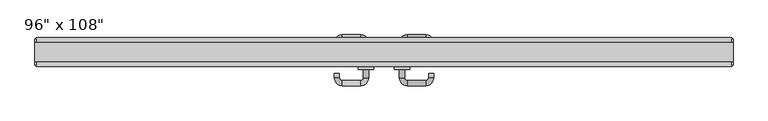
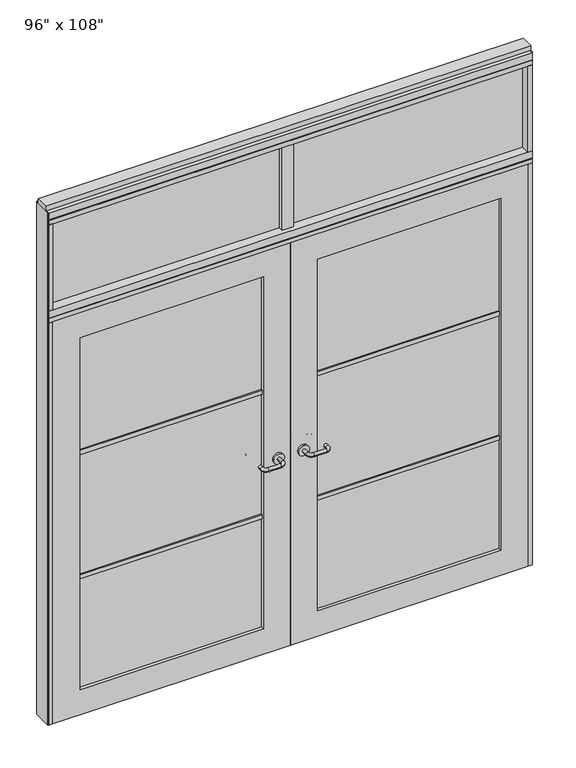
"""IFC4 building model written with IfcOpenShell, lengths in millimetres: furniture geometry."""

from ifc_helpers import new_model, si_unit, point, frame, frame_2d, origin, origin_with_axes, place, context, project, spatial, polyline, circle_curve, ellipse_curve, trimmed, segment, composite_curve, outline, extrude, source, transform, mapped, element, save
from ifc_brep_helpers import plane_surface, cylinder_surface, revolved_surface, advanced_brep


def furniture_74a05233(model_context):
    return source(origin(), model_context, "Body", "SolidModel", [
        advanced_brep(
        [(-113.8845229, -0.4537216, 1016.0), (-131.6645229, -0.4537216, 1016.0), (-113.8845229, 28.1212784, 1016.0), (-131.6645229, 28.1212784, 1016.0), (-141.8245229, 38.2812784, 1016.0), (-141.8245229, 56.0612784, 1016.0), (-233.2645229, 12.2462784, 1016.0), (-215.4845229, 12.2462784, 1016.0), (-205.3245229, 56.0612784, 1016.0), (-205.3245229, 38.2812784, 1016.0), (-215.4845229, 28.1212784, 1016.0), (-233.2645229, 28.1212784, 1016.0)],
        [
            (0, 1, circle_curve(frame((-122.7745229, -0.4537216, 1016.0), z_axis=(0.0, -1.0, 0.0), x_axis=(-1.0, 0.0, 0.0)), 8.89)),
            (1, 0, circle_curve(frame((-122.7745229, -0.4537216, 1016.0), z_axis=(0.0, -1.0, 0.0), x_axis=(-1.0, 0.0, 0.0)), 8.89)),
            (0, 2),
            (2, 3, circle_curve(frame((-122.7745229, 28.1212784, 1016.0), z_axis=(0.0, -1.0, 0.0), x_axis=(-1.0, 0.0, 0.0)), 8.89)),
            (3, 1),
            (3, 2, circle_curve(frame((-122.7745229, 28.1212784, 1016.0), z_axis=(0.0, -1.0, 0.0), x_axis=(-1.0, 0.0, 0.0)), 8.89)),
            (4, 3, circle_curve(frame((-141.8245229, 28.1212784, 1016.0), z_axis=(0.0, 0.0, -1.0), x_axis=(1.0, 0.0, 0.0)), 10.16)),
            (2, 5, circle_curve(frame((-141.8245229, 28.1212784, 1016.0), z_axis=(0.0, 0.0, 1.0), x_axis=(1.0, 0.0, 0.0)), 27.94)),
            (5, 4, circle_curve(frame((-141.8245229, 47.1712784, 1016.0), z_axis=(1.0, 0.0, 0.0), x_axis=(0.0, -1.0, 0.0)), 8.89)),
            (4, 5, circle_curve(frame((-141.8245229, 47.1712784, 1016.0), z_axis=(1.0, 0.0, 0.0), x_axis=(0.0, -1.0, 0.0)), 8.89)),
            (6, 7, circle_curve(frame((-224.3745229, 12.2462784, 1016.0), z_axis=(0.0, -1.0, 0.0), x_axis=(1.0, 0.0, 0.0)), 8.89)),
            (7, 6, circle_curve(frame((-224.3745229, 12.2462784, 1016.0), z_axis=(0.0, -1.0, 0.0), x_axis=(1.0, 0.0, 0.0)), 8.89)),
            (5, 8),
            (8, 9, circle_curve(frame((-205.3245229, 47.1712784, 1016.0), z_axis=(1.0, 0.0, 0.0), x_axis=(0.0, -1.0, 0.0)), 8.89)),
            (9, 4),
            (9, 8, circle_curve(frame((-205.3245229, 47.1712784, 1016.0), z_axis=(1.0, 0.0, 0.0), x_axis=(0.0, -1.0, 0.0)), 8.89)),
            (10, 9, circle_curve(frame((-205.3245229, 28.1212784, 1016.0), z_axis=(0.0, 0.0, -1.0), x_axis=(0.0, 1.0, 0.0)), 10.16)),
            (8, 11, circle_curve(frame((-205.3245229, 28.1212784, 1016.0), z_axis=(0.0, 0.0, 1.0), x_axis=(0.0, 1.0, 0.0)), 27.94)),
            (11, 10, circle_curve(frame((-224.3745229, 28.1212784, 1016.0), z_axis=(0.0, 1.0, 0.0), x_axis=(1.0, 0.0, 0.0)), 8.89)),
            (10, 11, circle_curve(frame((-224.3745229, 28.1212784, 1016.0), z_axis=(0.0, 1.0, 0.0), x_axis=(1.0, 0.0, 0.0)), 8.89)),
            (11, 6),
            (7, 10),
        ],
        [
            plane_surface(frame((-122.7745229, -0.4537216, 1016.0), z_axis=(0.0, -1.0, 0.0), x_axis=(0.0, 0.0, 1.0))),
            cylinder_surface(frame((-122.7745229, -0.4537216, 1016.0), z_axis=(0.0, -1.0, 0.0), x_axis=(-1.0, 0.0, 0.0)), 8.89),
            revolved_surface(trimmed(ellipse_curve(frame((-122.7745229, 28.1212784, 1016.0), z_axis=(0.0, -1.0, 0.0), x_axis=(-1.0, 0.0, 0.0)), 8.89, 8.89), [point((-113.8845229, 28.1212784, 1016.0))], [point((-131.6645229, 28.1212784, 1016.0))], True, "CARTESIAN"), (-141.8245229, 28.1212784, 1016.0), (0.0, 0.0, 1.0)),
            revolved_surface(trimmed(ellipse_curve(frame((-122.7745229, 28.1212784, 1016.0), z_axis=(0.0, -1.0, 0.0), x_axis=(-1.0, 0.0, 0.0)), 8.89, 8.89), [point((-131.6645229, 28.1212784, 1016.0))], [point((-113.8845229, 28.1212784, 1016.0))], True, "CARTESIAN"), (-141.8245229, 28.1212784, 1016.0), (0.0, 0.0, 1.0)),
            plane_surface(frame((-224.3745229, 12.2462784, 1016.0), z_axis=(0.0, -1.0, 0.0), x_axis=(0.0, 0.0, 1.0))),
            cylinder_surface(frame((-141.8245229, 47.1712784, 1016.0), z_axis=(1.0, 0.0, 0.0), x_axis=(0.0, -1.0, 0.0)), 8.89),
            revolved_surface(trimmed(ellipse_curve(frame((-205.3245229, 47.1712784, 1016.0), z_axis=(1.0, 0.0, 0.0), x_axis=(0.0, -1.0, 0.0)), 8.89, 8.89), [point((-205.3245229, 56.0612784, 1016.0))], [point((-205.3245229, 38.2812784, 1016.0))], True, "CARTESIAN"), (-205.3245229, 28.1212784, 1016.0), (0.0, 0.0, 1.0)),
            revolved_surface(trimmed(ellipse_curve(frame((-205.3245229, 47.1712784, 1016.0), z_axis=(1.0, 0.0, 0.0), x_axis=(0.0, -1.0, 0.0)), 8.89, 8.89), [point((-205.3245229, 38.2812784, 1016.0))], [point((-205.3245229, 56.0612784, 1016.0))], True, "CARTESIAN"), (-205.3245229, 28.1212784, 1016.0), (0.0, 0.0, 1.0)),
            cylinder_surface(frame((-224.3745229, 28.1212784, 1016.0), z_axis=(0.0, 1.0, 0.0), x_axis=(1.0, 0.0, 0.0)), 8.89),
        ],
        [
            (0, [[1, 2]]),
            (1, [[-1, 3, 4, 5]]),
            (1, [[-2, -5, 6, -3]]),
            (2, [[7, -4, 8, 9]]),
            (3, [[-8, -6, -7, 10]]),
            (4, [[11, 12]]),
            (5, [[-9, 13, 14, 15]]),
            (5, [[-10, -15, 16, -13]]),
            (6, [[17, -14, 18, 19]]),
            (7, [[-18, -16, -17, 20]]),
            (8, [[-19, 21, -12, 22]]),
            (8, [[-20, -22, -11, -21]]),
        ],
    ),
        extrude(outline(composite_curve([segment(trimmed(circle_curve(frame_2d((1016.0, -122.7745229)), 26.924), [point((1016.0, -95.8505229))], [point((1016.0, -149.6985229))], False, "CARTESIAN"), True, "CONTINUOUS"), segment(trimmed(circle_curve(frame_2d((1016.0, -122.7745229)), 26.924), [point((1016.0, -149.6985229))], [point((1016.0, -95.8505229))], False, "CARTESIAN"), True, "CONTINUOUS")], self_intersect=False)), frame((0.0, -10.8677216, 0.0), z_axis=(0.0, 1.0, 0.0), x_axis=(0.0, 0.0, 1.0)), (0.0, 0.0, 1.0), 10.414),
        advanced_brep(
        [(-113.8845229, -65.7317216, 1016.0), (-131.6645229, -65.7317216, 1016.0), (-131.6645229, -94.3067216, 1016.0), (-113.8845229, -94.3067216, 1016.0), (-141.8245229, -104.4667216, 1016.0), (-141.8245229, -122.2467216, 1016.0), (-233.2645229, -78.4317216, 1016.0), (-215.4845229, -78.4317216, 1016.0), (-205.3245229, -104.4667216, 1016.0), (-205.3245229, -122.2467216, 1016.0), (-215.4845229, -94.3067216, 1016.0), (-233.2645229, -94.3067216, 1016.0)],
        [
            (0, 1, circle_curve(frame((-122.7745229, -65.7317216, 1016.0), z_axis=(0.0, 1.0, 0.0), x_axis=(-1.0, 0.0, 0.0)), 8.89)),
            (1, 0, circle_curve(frame((-122.7745229, -65.7317216, 1016.0), z_axis=(0.0, 1.0, 0.0), x_axis=(-1.0, 0.0, 0.0)), 8.89)),
            (1, 2),
            (2, 3, circle_curve(frame((-122.7745229, -94.3067216, 1016.0), z_axis=(0.0, 1.0, 0.0), x_axis=(-1.0, 0.0, 0.0)), 8.89)),
            (3, 0),
            (3, 2, circle_curve(frame((-122.7745229, -94.3067216, 1016.0), z_axis=(0.0, 1.0, 0.0), x_axis=(-1.0, 0.0, 0.0)), 8.89)),
            (4, 5, circle_curve(frame((-141.8245229, -113.3567216, 1016.0), z_axis=(1.0, 0.0, 0.0), x_axis=(0.0, 1.0, 0.0)), 8.89)),
            (5, 3, circle_curve(frame((-141.8245229, -94.3067216, 1016.0), z_axis=(0.0, 0.0, 1.0), x_axis=(1.0, 0.0, 0.0)), 27.94)),
            (2, 4, circle_curve(frame((-141.8245229, -94.3067216, 1016.0), z_axis=(0.0, 0.0, -1.0), x_axis=(1.0, 0.0, 0.0)), 10.16)),
            (5, 4, circle_curve(frame((-141.8245229, -113.3567216, 1016.0), z_axis=(1.0, 0.0, 0.0), x_axis=(0.0, 1.0, 0.0)), 8.89)),
            (6, 7, circle_curve(frame((-224.3745229, -78.4317216, 1016.0), z_axis=(0.0, 1.0, 0.0), x_axis=(1.0, 0.0, 0.0)), 8.89)),
            (7, 6, circle_curve(frame((-224.3745229, -78.4317216, 1016.0), z_axis=(0.0, 1.0, 0.0), x_axis=(1.0, 0.0, 0.0)), 8.89)),
            (4, 8),
            (8, 9, circle_curve(frame((-205.3245229, -113.3567216, 1016.0), z_axis=(1.0, 0.0, 0.0), x_axis=(0.0, 1.0, 0.0)), 8.89)),
            (9, 5),
            (9, 8, circle_curve(frame((-205.3245229, -113.3567216, 1016.0), z_axis=(1.0, 0.0, 0.0), x_axis=(0.0, 1.0, 0.0)), 8.89)),
            (10, 11, circle_curve(frame((-224.3745229, -94.3067216, 1016.0), z_axis=(0.0, -1.0, 0.0), x_axis=(1.0, 0.0, 0.0)), 8.89)),
            (11, 9, circle_curve(frame((-205.3245229, -94.3067216, 1016.0), z_axis=(0.0, 0.0, 1.0), x_axis=(0.0, -1.0, 0.0)), 27.94)),
            (8, 10, circle_curve(frame((-205.3245229, -94.3067216, 1016.0), z_axis=(0.0, 0.0, -1.0), x_axis=(0.0, -1.0, 0.0)), 10.16)),
            (11, 10, circle_curve(frame((-224.3745229, -94.3067216, 1016.0), z_axis=(0.0, -1.0, 0.0), x_axis=(1.0, 0.0, 0.0)), 8.89)),
            (10, 7),
            (6, 11),
        ],
        [
            plane_surface(frame((-122.7745229, -65.7317216, 1016.0), z_axis=(0.0, 1.0, 0.0), x_axis=(0.0, 0.0, 1.0))),
            cylinder_surface(frame((-122.7745229, -65.7317216, 1016.0), z_axis=(0.0, 1.0, 0.0), x_axis=(-1.0, 0.0, 0.0)), 8.89),
            revolved_surface(trimmed(ellipse_curve(frame((-122.7745229, -94.3067216, 1016.0), z_axis=(0.0, -1.0, 0.0), x_axis=(-1.0, 0.0, 0.0)), 8.89, 8.89), [point((-113.8845229, -94.3067216, 1016.0))], [point((-131.6645229, -94.3067216, 1016.0))], True, "CARTESIAN"), (-141.8245229, -94.3067216, 1016.0), (0.0, 0.0, 1.0)),
            revolved_surface(trimmed(ellipse_curve(frame((-122.7745229, -94.3067216, 1016.0), z_axis=(0.0, -1.0, 0.0), x_axis=(-1.0, 0.0, 0.0)), 8.89, 8.89), [point((-131.6645229, -94.3067216, 1016.0))], [point((-113.8845229, -94.3067216, 1016.0))], True, "CARTESIAN"), (-141.8245229, -94.3067216, 1016.0), (0.0, 0.0, 1.0)),
            plane_surface(frame((-224.3745229, -78.4317216, 1016.0), z_axis=(0.0, 1.0, 0.0), x_axis=(0.0, 0.0, 1.0))),
            cylinder_surface(frame((-141.8245229, -113.3567216, 1016.0), z_axis=(1.0, 0.0, 0.0), x_axis=(0.0, 1.0, 0.0)), 8.89),
            revolved_surface(trimmed(ellipse_curve(frame((-205.3245229, -113.3567216, 1016.0), z_axis=(-1.0, 0.0, 0.0), x_axis=(0.0, 1.0, 0.0)), 8.89, 8.89), [point((-205.3245229, -122.2467216, 1016.0))], [point((-205.3245229, -104.4667216, 1016.0))], True, "CARTESIAN"), (-205.3245229, -94.3067216, 1016.0), (0.0, 0.0, 1.0)),
            revolved_surface(trimmed(ellipse_curve(frame((-205.3245229, -113.3567216, 1016.0), z_axis=(-1.0, 0.0, 0.0), x_axis=(0.0, 1.0, 0.0)), 8.89, 8.89), [point((-205.3245229, -104.4667216, 1016.0))], [point((-205.3245229, -122.2467216, 1016.0))], True, "CARTESIAN"), (-205.3245229, -94.3067216, 1016.0), (0.0, 0.0, 1.0)),
            cylinder_surface(frame((-224.3745229, -94.3067216, 1016.0), z_axis=(0.0, -1.0, 0.0), x_axis=(1.0, 0.0, 0.0)), 8.89),
        ],
        [
            (0, [[1, 2]]),
            (1, [[3, 4, 5, -2]]),
            (1, [[-5, 6, -3, -1]]),
            (2, [[7, 8, -4, 9]]),
            (3, [[10, -9, -6, -8]]),
            (4, [[11, 12]]),
            (5, [[13, 14, 15, -7]]),
            (5, [[-15, 16, -13, -10]]),
            (6, [[17, 18, -14, 19]]),
            (7, [[20, -19, -16, -18]]),
            (8, [[21, -11, 22, -17]]),
            (8, [[-22, -12, -21, -20]]),
        ],
    ),
        extrude(outline(composite_curve([segment(trimmed(circle_curve(frame_2d((1016.0, -122.7745229)), 26.924), [point((1016.0, -95.8505229))], [point((1016.0, -149.6985229))], False, "CARTESIAN"), True, "CONTINUOUS"), segment(trimmed(circle_curve(frame_2d((1016.0, -122.7745229)), 26.924), [point((1016.0, -149.6985229))], [point((1016.0, -95.8505229))], False, "CARTESIAN"), True, "CONTINUOUS")], self_intersect=False)), frame((0.0, -65.7317216, 0.0), z_axis=(0.0, 1.0, 0.0), x_axis=(0.0, 0.0, 1.0)), (0.0, 0.0, 1.0), 10.414),
        extrude(outline(polyline([(-196.0535229, -44.2052216), (-1117.0575229, -44.2052216), (-1117.0575229, -21.9802216), (-196.0535229, -21.9802216), (-196.0535229, -44.2052216)])), frame((0.0, 0.0, 1371.6), z_axis=(0.0, 0.0, 1.0), x_axis=(1.0, 0.0, 0.0)), (0.0, 0.0, 1.0), 22.225),
        extrude(outline(polyline([(-196.0535229, -44.2052216), (-1117.0575229, -44.2052216), (-1117.0575229, -21.9802216), (-196.0535229, -21.9802216), (-196.0535229, -44.2052216)])), frame((0.0, 0.0, 711.2), z_axis=(0.0, 0.0, 1.0), x_axis=(1.0, 0.0, 0.0)), (0.0, 0.0, 1.0), 22.225),
        extrude(outline(polyline([(-1117.0575229, -38.1727216), (-1117.0575229, -28.0127216), (-196.0535229, -28.0127216), (-196.0535229, -38.1727216), (-1117.0575229, -38.1727216)])), frame((0.0, 0.0, 132.969), z_axis=(0.0, 0.0, 1.0), x_axis=(1.0, 0.0, 0.0)), (0.0, 0.0, 1.0), 1867.662),
        extrude(outline(polyline([(2133.6, -1253.0745229), (0.0, -1253.0745229), (0.0, -60.0365229), (2133.6, -60.0365229), (2133.6, -1253.0745229)]), holes=[polyline([(2000.631, -1117.0575229), (2000.631, -196.0535229), (132.969, -196.0535229), (132.969, -1117.0575229), (2000.631, -1117.0575229)])]), frame((0.0, -55.3177216, 0.0), z_axis=(0.0, 1.0, 0.0), x_axis=(0.0, 0.0, 1.0)), (0.0, 0.0, 1.0), 44.45),
        extrude(outline(polyline([(-31.4615229, -33.0927216), (-88.6115229, -33.0927216), (-88.6115229, 24.0572784), (-31.4615229, 24.0572784), (-31.4615229, -33.0927216)])), frame((0.0, 0.0, 2197.1), z_axis=(0.0, 0.0, 1.0), x_axis=(1.0, 0.0, 0.0)), (0.0, 0.0, 1.0), 457.2),
        extrude(outline(polyline([(1133.0014771, -9.5977216), (-1253.0745229, -9.5977216), (-1253.0745229, 0.5622784), (1133.0014771, 0.5622784), (1133.0014771, -9.5977216)])), frame((0.0, 0.0, 2197.1), z_axis=(0.0, 0.0, 1.0), x_axis=(1.0, 0.0, 0.0)), (0.0, 0.0, 1.0), 457.2),
        advanced_brep(
        [(-6.1885229, -0.4537216, 1016.0), (11.5914771, -0.4537216, 1016.0), (11.5914771, 28.1212784, 1016.0), (-6.1885229, 28.1212784, 1016.0), (21.7514771, 38.2812784, 1016.0), (21.7514771, 56.0612784, 1016.0), (113.1914771, 12.2462784, 1016.0), (95.4114771, 12.2462784, 1016.0), (85.2514771, 38.2812784, 1016.0), (85.2514771, 56.0612784, 1016.0), (95.4114771, 28.1212784, 1016.0), (113.1914771, 28.1212784, 1016.0)],
        [
            (0, 1, circle_curve(frame((2.7014771, -0.4537216, 1016.0), z_axis=(0.0, -1.0, 0.0), x_axis=(1.0, 0.0, 0.0)), 8.89)),
            (1, 0, circle_curve(frame((2.7014771, -0.4537216, 1016.0), z_axis=(0.0, -1.0, 0.0), x_axis=(1.0, 0.0, 0.0)), 8.89)),
            (1, 2),
            (2, 3, circle_curve(frame((2.7014771, 28.1212784, 1016.0), z_axis=(0.0, -1.0, 0.0), x_axis=(1.0, 0.0, 0.0)), 8.89)),
            (3, 0),
            (3, 2, circle_curve(frame((2.7014771, 28.1212784, 1016.0), z_axis=(0.0, -1.0, 0.0), x_axis=(1.0, 0.0, 0.0)), 8.89)),
            (4, 5, circle_curve(frame((21.7514771, 47.1712784, 1016.0), z_axis=(-1.0, 0.0, 0.0), x_axis=(0.0, -1.0, 0.0)), 8.89)),
            (5, 3, circle_curve(frame((21.7514771, 28.1212784, 1016.0), z_axis=(0.0, 0.0, 1.0), x_axis=(-1.0, 0.0, 0.0)), 27.94)),
            (2, 4, circle_curve(frame((21.7514771, 28.1212784, 1016.0), z_axis=(0.0, 0.0, -1.0), x_axis=(-1.0, 0.0, 0.0)), 10.16)),
            (5, 4, circle_curve(frame((21.7514771, 47.1712784, 1016.0), z_axis=(-1.0, 0.0, 0.0), x_axis=(0.0, -1.0, 0.0)), 8.89)),
            (6, 7, circle_curve(frame((104.3014771, 12.2462784, 1016.0), z_axis=(0.0, -1.0, 0.0), x_axis=(-1.0, 0.0, 0.0)), 8.89)),
            (7, 6, circle_curve(frame((104.3014771, 12.2462784, 1016.0), z_axis=(0.0, -1.0, 0.0), x_axis=(-1.0, 0.0, 0.0)), 8.89)),
            (4, 8),
            (8, 9, circle_curve(frame((85.2514771, 47.1712784, 1016.0), z_axis=(-1.0, 0.0, 0.0), x_axis=(0.0, -1.0, 0.0)), 8.89)),
            (9, 5),
            (9, 8, circle_curve(frame((85.2514771, 47.1712784, 1016.0), z_axis=(-1.0, 0.0, 0.0), x_axis=(0.0, -1.0, 0.0)), 8.89)),
            (10, 11, circle_curve(frame((104.3014771, 28.1212784, 1016.0), z_axis=(0.0, 1.0, 0.0), x_axis=(-1.0, 0.0, 0.0)), 8.89)),
            (11, 9, circle_curve(frame((85.2514771, 28.1212784, 1016.0), z_axis=(0.0, 0.0, 1.0), x_axis=(0.0, 1.0, 0.0)), 27.94)),
            (8, 10, circle_curve(frame((85.2514771, 28.1212784, 1016.0), z_axis=(0.0, 0.0, -1.0), x_axis=(0.0, 1.0, 0.0)), 10.16)),
            (11, 10, circle_curve(frame((104.3014771, 28.1212784, 1016.0), z_axis=(0.0, 1.0, 0.0), x_axis=(-1.0, 0.0, 0.0)), 8.89)),
            (10, 7),
            (6, 11),
        ],
        [
            plane_surface(frame((2.7014771, -0.4537216, 1016.0), z_axis=(0.0, -1.0, 0.0), x_axis=(0.0, 0.0, 1.0))),
            cylinder_surface(frame((2.7014771, -0.4537216, 1016.0), z_axis=(0.0, -1.0, 0.0), x_axis=(1.0, 0.0, 0.0)), 8.89),
            revolved_surface(trimmed(ellipse_curve(frame((2.7014771, 28.1212784, 1016.0), z_axis=(0.0, 1.0, 0.0), x_axis=(1.0, 0.0, 0.0)), 8.89, 8.89), [point((-6.1885229, 28.1212784, 1016.0))], [point((11.5914771, 28.1212784, 1016.0))], True, "CARTESIAN"), (21.7514771, 28.1212784, 1016.0), (0.0, 0.0, 1.0)),
            revolved_surface(trimmed(ellipse_curve(frame((2.7014771, 28.1212784, 1016.0), z_axis=(0.0, 1.0, 0.0), x_axis=(1.0, 0.0, 0.0)), 8.89, 8.89), [point((11.5914771, 28.1212784, 1016.0))], [point((-6.1885229, 28.1212784, 1016.0))], True, "CARTESIAN"), (21.7514771, 28.1212784, 1016.0), (0.0, 0.0, 1.0)),
            plane_surface(frame((104.3014771, 12.2462784, 1016.0), z_axis=(0.0, -1.0, 0.0), x_axis=(0.0, 0.0, 1.0))),
            cylinder_surface(frame((21.7514771, 47.1712784, 1016.0), z_axis=(-1.0, 0.0, 0.0), x_axis=(0.0, -1.0, 0.0)), 8.89),
            revolved_surface(trimmed(ellipse_curve(frame((85.2514771, 47.1712784, 1016.0), z_axis=(1.0, 0.0, 0.0), x_axis=(0.0, -1.0, 0.0)), 8.89, 8.89), [point((85.2514771, 56.0612784, 1016.0))], [point((85.2514771, 38.2812784, 1016.0))], True, "CARTESIAN"), (85.2514771, 28.1212784, 1016.0), (0.0, 0.0, 1.0)),
            revolved_surface(trimmed(ellipse_curve(frame((85.2514771, 47.1712784, 1016.0), z_axis=(1.0, 0.0, 0.0), x_axis=(0.0, -1.0, 0.0)), 8.89, 8.89), [point((85.2514771, 38.2812784, 1016.0))], [point((85.2514771, 56.0612784, 1016.0))], True, "CARTESIAN"), (85.2514771, 28.1212784, 1016.0), (0.0, 0.0, 1.0)),
            cylinder_surface(frame((104.3014771, 28.1212784, 1016.0), z_axis=(0.0, 1.0, 0.0), x_axis=(-1.0, 0.0, 0.0)), 8.89),
        ],
        [
            (0, [[1, 2]]),
            (1, [[3, 4, 5, -2]]),
            (1, [[-5, 6, -3, -1]]),
            (2, [[7, 8, -4, 9]]),
            (3, [[10, -9, -6, -8]]),
            (4, [[11, 12]]),
            (5, [[13, 14, 15, -7]]),
            (5, [[-15, 16, -13, -10]]),
            (6, [[17, 18, -14, 19]]),
            (7, [[20, -19, -16, -18]]),
            (8, [[21, -11, 22, -17]]),
            (8, [[-22, -12, -21, -20]]),
        ],
    ),
        extrude(outline(composite_curve([segment(trimmed(circle_curve(frame_2d((1016.0, 2.7014771)), 26.924), [point((1016.0, -24.2225229))], [point((1016.0, 29.6254771))], False, "CARTESIAN"), True, "CONTINUOUS"), segment(trimmed(circle_curve(frame_2d((1016.0, 2.7014771)), 26.924), [point((1016.0, 29.6254771))], [point((1016.0, -24.2225229))], False, "CARTESIAN"), True, "CONTINUOUS")], self_intersect=False)), frame((0.0, -10.8677216, 0.0), z_axis=(0.0, 1.0, 0.0), x_axis=(0.0, 0.0, 1.0)), (0.0, 0.0, 1.0), 10.414),
        advanced_brep(
        [(-6.1885229, -65.7317216, 1016.0), (11.5914771, -65.7317216, 1016.0), (-6.1885229, -94.3067216, 1016.0), (11.5914771, -94.3067216, 1016.0), (21.7514771, -104.4667216, 1016.0), (21.7514771, -122.2467216, 1016.0), (113.1914771, -78.4317216, 1016.0), (95.4114771, -78.4317216, 1016.0), (85.2514771, -122.2467216, 1016.0), (85.2514771, -104.4667216, 1016.0), (95.4114771, -94.3067216, 1016.0), (113.1914771, -94.3067216, 1016.0)],
        [
            (0, 1, circle_curve(frame((2.7014771, -65.7317216, 1016.0), z_axis=(0.0, 1.0, 0.0), x_axis=(1.0, 0.0, 0.0)), 8.89)),
            (1, 0, circle_curve(frame((2.7014771, -65.7317216, 1016.0), z_axis=(0.0, 1.0, 0.0), x_axis=(1.0, 0.0, 0.0)), 8.89)),
            (0, 2),
            (2, 3, circle_curve(frame((2.7014771, -94.3067216, 1016.0), z_axis=(0.0, 1.0, 0.0), x_axis=(1.0, 0.0, 0.0)), 8.89)),
            (3, 1),
            (3, 2, circle_curve(frame((2.7014771, -94.3067216, 1016.0), z_axis=(0.0, 1.0, 0.0), x_axis=(1.0, 0.0, 0.0)), 8.89)),
            (4, 3, circle_curve(frame((21.7514771, -94.3067216, 1016.0), z_axis=(0.0, 0.0, -1.0), x_axis=(-1.0, 0.0, 0.0)), 10.16)),
            (2, 5, circle_curve(frame((21.7514771, -94.3067216, 1016.0), z_axis=(0.0, 0.0, 1.0), x_axis=(-1.0, 0.0, 0.0)), 27.94)),
            (5, 4, circle_curve(frame((21.7514771, -113.3567216, 1016.0), z_axis=(-1.0, 0.0, 0.0), x_axis=(0.0, 1.0, 0.0)), 8.89)),
            (4, 5, circle_curve(frame((21.7514771, -113.3567216, 1016.0), z_axis=(-1.0, 0.0, 0.0), x_axis=(0.0, 1.0, 0.0)), 8.89)),
            (6, 7, circle_curve(frame((104.3014771, -78.4317216, 1016.0), z_axis=(0.0, 1.0, 0.0), x_axis=(-1.0, 0.0, 0.0)), 8.89)),
            (7, 6, circle_curve(frame((104.3014771, -78.4317216, 1016.0), z_axis=(0.0, 1.0, 0.0), x_axis=(-1.0, 0.0, 0.0)), 8.89)),
            (5, 8),
            (8, 9, circle_curve(frame((85.2514771, -113.3567216, 1016.0), z_axis=(-1.0, 0.0, 0.0), x_axis=(0.0, 1.0, 0.0)), 8.89)),
            (9, 4),
            (9, 8, circle_curve(frame((85.2514771, -113.3567216, 1016.0), z_axis=(-1.0, 0.0, 0.0), x_axis=(0.0, 1.0, 0.0)), 8.89)),
            (10, 9, circle_curve(frame((85.2514771, -94.3067216, 1016.0), z_axis=(0.0, 0.0, -1.0), x_axis=(0.0, -1.0, 0.0)), 10.16)),
            (8, 11, circle_curve(frame((85.2514771, -94.3067216, 1016.0), z_axis=(0.0, 0.0, 1.0), x_axis=(0.0, -1.0, 0.0)), 27.94)),
            (11, 10, circle_curve(frame((104.3014771, -94.3067216, 1016.0), z_axis=(0.0, -1.0, 0.0), x_axis=(-1.0, 0.0, 0.0)), 8.89)),
            (10, 11, circle_curve(frame((104.3014771, -94.3067216, 1016.0), z_axis=(0.0, -1.0, 0.0), x_axis=(-1.0, 0.0, 0.0)), 8.89)),
            (11, 6),
            (7, 10),
        ],
        [
            plane_surface(frame((2.7014771, -65.7317216, 1016.0), z_axis=(0.0, 1.0, 0.0), x_axis=(0.0, 0.0, 1.0))),
            cylinder_surface(frame((2.7014771, -65.7317216, 1016.0), z_axis=(0.0, 1.0, 0.0), x_axis=(1.0, 0.0, 0.0)), 8.89),
            revolved_surface(trimmed(ellipse_curve(frame((2.7014771, -94.3067216, 1016.0), z_axis=(0.0, 1.0, 0.0), x_axis=(1.0, 0.0, 0.0)), 8.89, 8.89), [point((-6.1885229, -94.3067216, 1016.0))], [point((11.5914771, -94.3067216, 1016.0))], True, "CARTESIAN"), (21.7514771, -94.3067216, 1016.0), (0.0, 0.0, 1.0)),
            revolved_surface(trimmed(ellipse_curve(frame((2.7014771, -94.3067216, 1016.0), z_axis=(0.0, 1.0, 0.0), x_axis=(1.0, 0.0, 0.0)), 8.89, 8.89), [point((11.5914771, -94.3067216, 1016.0))], [point((-6.1885229, -94.3067216, 1016.0))], True, "CARTESIAN"), (21.7514771, -94.3067216, 1016.0), (0.0, 0.0, 1.0)),
            plane_surface(frame((104.3014771, -78.4317216, 1016.0), z_axis=(0.0, 1.0, 0.0), x_axis=(0.0, 0.0, 1.0))),
            cylinder_surface(frame((21.7514771, -113.3567216, 1016.0), z_axis=(-1.0, 0.0, 0.0), x_axis=(0.0, 1.0, 0.0)), 8.89),
            revolved_surface(trimmed(ellipse_curve(frame((85.2514771, -113.3567216, 1016.0), z_axis=(-1.0, 0.0, 0.0), x_axis=(0.0, 1.0, 0.0)), 8.89, 8.89), [point((85.2514771, -122.2467216, 1016.0))], [point((85.2514771, -104.4667216, 1016.0))], True, "CARTESIAN"), (85.2514771, -94.3067216, 1016.0), (0.0, 0.0, 1.0)),
            revolved_surface(trimmed(ellipse_curve(frame((85.2514771, -113.3567216, 1016.0), z_axis=(-1.0, 0.0, 0.0), x_axis=(0.0, 1.0, 0.0)), 8.89, 8.89), [point((85.2514771, -104.4667216, 1016.0))], [point((85.2514771, -122.2467216, 1016.0))], True, "CARTESIAN"), (85.2514771, -94.3067216, 1016.0), (0.0, 0.0, 1.0)),
            cylinder_surface(frame((104.3014771, -94.3067216, 1016.0), z_axis=(0.0, -1.0, 0.0), x_axis=(-1.0, 0.0, 0.0)), 8.89),
        ],
        [
            (0, [[1, 2]]),
            (1, [[-1, 3, 4, 5]]),
            (1, [[-2, -5, 6, -3]]),
            (2, [[7, -4, 8, 9]]),
            (3, [[-8, -6, -7, 10]]),
            (4, [[11, 12]]),
            (5, [[-9, 13, 14, 15]]),
            (5, [[-10, -15, 16, -13]]),
            (6, [[17, -14, 18, 19]]),
            (7, [[-18, -16, -17, 20]]),
            (8, [[-19, 21, -12, 22]]),
            (8, [[-20, -22, -11, -21]]),
        ],
    ),
        extrude(outline(composite_curve([segment(trimmed(circle_curve(frame_2d((1016.0, 2.7014771)), 26.924), [point((1016.0, -24.2225229))], [point((1016.0, 29.6254771))], False, "CARTESIAN"), True, "CONTINUOUS"), segment(trimmed(circle_curve(frame_2d((1016.0, 2.7014771)), 26.924), [point((1016.0, 29.6254771))], [point((1016.0, -24.2225229))], False, "CARTESIAN"), True, "CONTINUOUS")], self_intersect=False)), frame((0.0, -65.7317216, 0.0), z_axis=(0.0, 1.0, 0.0), x_axis=(0.0, 0.0, 1.0)), (0.0, 0.0, 1.0), 10.414),
        extrude(outline(polyline([(75.9804771, -44.2052216), (75.9804771, -21.9802216), (996.9844771, -21.9802216), (996.9844771, -44.2052216), (75.9804771, -44.2052216)])), frame((0.0, 0.0, 1371.6), z_axis=(0.0, 0.0, 1.0), x_axis=(1.0, 0.0, 0.0)), (0.0, 0.0, 1.0), 22.225),
        extrude(outline(polyline([(75.9804771, -44.2052216), (75.9804771, -21.9802216), (996.9844771, -21.9802216), (996.9844771, -44.2052216), (75.9804771, -44.2052216)])), frame((0.0, 0.0, 711.2), z_axis=(0.0, 0.0, 1.0), x_axis=(1.0, 0.0, 0.0)), (0.0, 0.0, 1.0), 22.225),
        extrude(outline(polyline([(996.9844771, -38.1727216), (75.9804771, -38.1727216), (75.9804771, -28.0127216), (996.9844771, -28.0127216), (996.9844771, -38.1727216)])), frame((0.0, 0.0, 132.969), z_axis=(0.0, 0.0, 1.0), x_axis=(1.0, 0.0, 0.0)), (0.0, 0.0, 1.0), 1867.662),
        extrude(outline(polyline([(2133.6, 1133.0014771), (2133.6, -60.0365229), (0.0, -60.0365229), (0.0, 1133.0014771), (2133.6, 1133.0014771)]), holes=[polyline([(2000.631, 996.9844771), (132.969, 996.9844771), (132.969, 75.9804771), (2000.631, 75.9804771), (2000.631, 996.9844771)])]), frame((0.0, -55.3177216, 0.0), z_axis=(0.0, 1.0, 0.0), x_axis=(0.0, 0.0, 1.0)), (0.0, 0.0, 1.0), 44.45),
        extrude(outline(polyline([(-1253.0745229, -55.3177216), (-1275.2995229, -55.3177216), (-1275.2995229, 46.2822784), (-1253.0745229, 46.2822784), (-1253.0745229, -55.3177216)])), frame((0.0, 0.0, 2197.1), z_axis=(0.0, 0.0, 1.0), x_axis=(1.0, 0.0, 0.0)), (0.0, 0.0, 1.0), 457.2),
        extrude(outline(polyline([(1133.0014771, -55.3177216), (1133.0014771, 46.2822784), (1155.2264771, 46.2822784), (1155.2264771, -55.3177216), (1133.0014771, -55.3177216)])), frame((0.0, 0.0, 2197.1), z_axis=(0.0, 0.0, 1.0), x_axis=(1.0, 0.0, 0.0)), (0.0, 0.0, 1.0), 457.2),
        extrude(outline(polyline([(-1275.2995229, -55.3177216), (-1275.2995229, 46.2822784), (1155.2264771, 46.2822784), (1155.2264771, -55.3177216), (-1275.2995229, -55.3177216)])), frame((0.0, 0.0, 2133.6), z_axis=(0.0, 0.0, 1.0), x_axis=(1.0, 0.0, 0.0)), (0.0, 0.0, 1.0), 22.225),
        extrude(outline(polyline([(-55.3177216, 2160.778), (-55.3177216, 2197.1), (46.2822784, 2197.1), (46.2822784, 2160.778), (41.3292784, 2160.778), (41.3292784, 2155.825), (-50.3647216, 2155.825), (-50.3647216, 2160.778), (-55.3177216, 2160.778)])), frame((-1275.2995229, 0.0, 0.0), z_axis=(1.0, 0.0, 0.0), x_axis=(0.0, 1.0, 0.0)), (0.0, 0.0, 1.0), 2430.526),
        extrude(outline(polyline([(-1275.2995229, -55.3177216), (-1275.2995229, 46.2822784), (1155.2264771, 46.2822784), (1155.2264771, -55.3177216), (-1275.2995229, -55.3177216)])), frame((0.0, 0.0, 2654.3), z_axis=(0.0, 0.0, 1.0), x_axis=(1.0, 0.0, 0.0)), (0.0, 0.0, 1.0), 22.225),
        extrude(outline(polyline([(1159.1634771, -50.3647216), (1155.2264771, -50.3647216), (1155.2264771, 41.3292784), (1159.1634771, 41.3292784), (1159.1634771, -50.3647216)])), origin_with_axes(), (0.0, 0.0, 1.0), 2717.8),
        extrude(outline(polyline([(-1279.2365229, -50.3647216), (-1279.2365229, 41.3292784), (-1275.2995229, 41.3292784), (-1275.2995229, -50.3647216), (-1279.2365229, -50.3647216)])), origin_with_axes(), (0.0, 0.0, 1.0), 2717.8),
        extrude(outline(polyline([(1133.0014771, -55.3177216), (1133.0014771, 46.2822784), (1155.2264771, 46.2822784), (1155.2264771, -55.3177216), (1133.0014771, -55.3177216)])), origin_with_axes(), (0.0, 0.0, 1.0), 2133.6),
        extrude(outline(polyline([(-1253.0745229, -55.3177216), (-1275.2995229, -55.3177216), (-1275.2995229, 46.2822784), (-1253.0745229, 46.2822784), (-1253.0745229, -55.3177216)])), origin_with_axes(), (0.0, 0.0, 1.0), 2133.6),
        extrude(outline(polyline([(-55.3177216, 2681.478), (-55.3177216, 2717.8), (46.2822784, 2717.8), (46.2822784, 2681.478), (41.3292784, 2681.478), (41.3292784, 2676.525), (-50.3647216, 2676.525), (-50.3647216, 2681.478), (-55.3177216, 2681.478)])), frame((-1275.2995229, 0.0, 0.0), z_axis=(1.0, 0.0, 0.0), x_axis=(0.0, 1.0, 0.0)), (0.0, 0.0, 1.0), 2430.526),
        extrude(outline(polyline([(-1279.2365229, -37.0297216), (-1279.2365229, 27.9942784), (1159.1634771, 27.9942784), (1159.1634771, -37.0297216), (-1279.2365229, -37.0297216)])), frame((0.0, 0.0, 2717.8), z_axis=(0.0, 0.0, 1.0), x_axis=(1.0, 0.0, 0.0)), (0.0, 0.0, 1.0), 25.4),
    ])


if __name__ == "__main__":
    model = new_model("IFC4")
    model_context = context("Model", 3, world=origin())
    ifc_project = project(units=[si_unit("LENGTHUNIT", "METRE", prefix="MILLI")], contexts=[model_context])
    site = spatial("IfcSite", under=ifc_project)
    building = spatial("IfcBuilding", under=site)
    placement = place(None, origin())
    furniture_shape = furniture_74a05233(model_context)
    element("IfcFurniture", 1, ObjectType="96\" x 108\"", at=placement, inside=building, context=model_context, shape_type="MappedRepresentation", body=[
        mapped(furniture_shape, transform((0.0, 0.0, 0.0), x_axis=(1.0, 0.0, 0.0), y_axis=(0.0, 1.0, 0.0), z_axis=(0.0, 0.0, 1.0))),
    ])
    save(model, "model.ifc")
